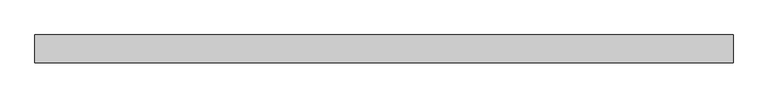
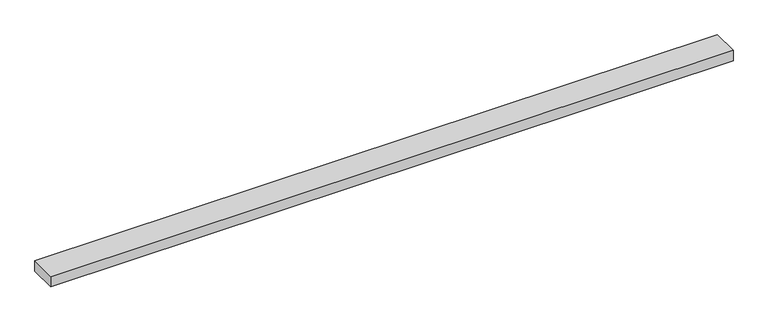
"""IFC4 building model written with IfcOpenShell, lengths in millimetres: beam geometry."""

from ifc_helpers import new_model, si_unit, frame, origin, place, context, project, spatial, polyline, outline, extrude, source, transform, mapped, element, save


def beam_b922fa2f(model_context):
    return source(origin(), model_context, "Body", "SweptSolid", [
        extrude(outline(polyline([(861.9, -35.0), (-896.9, -35.0), (-896.9, 35.0), (861.9, 35.0), (861.9, -35.0)])), frame((0.0, 0.0, -14.0), z_axis=(0.0, 0.0, 1.0), x_axis=(1.0, 0.0, 0.0)), (0.0, 0.0, 1.0), 28.0),
    ])


if __name__ == "__main__":
    model = new_model("IFC4")
    model_context = context("Model", 3, world=origin())
    ifc_project = project(units=[si_unit("LENGTHUNIT", "METRE", prefix="MILLI")], contexts=[model_context])
    site = spatial("IfcSite", under=ifc_project)
    building = spatial("IfcBuilding", under=site)
    placement = place(None, origin())
    beam_shape = beam_b922fa2f(model_context)
    element("IfcBeam", 1, at=placement, inside=building, context=model_context, shape_type="MappedRepresentation", body=[
        mapped(beam_shape, transform((0.0, 0.0, 0.0), x_axis=(1.0, 0.0, 0.0), y_axis=(0.0, 1.0, 0.0), z_axis=(0.0, 0.0, 1.0))),
    ])
    save(model, "model.ifc")
